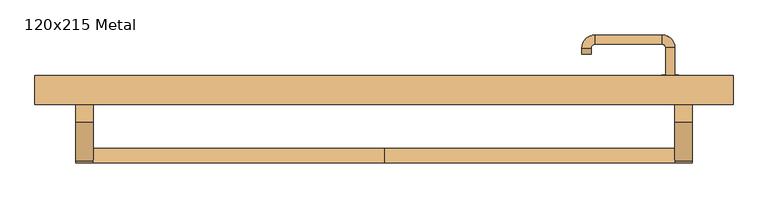
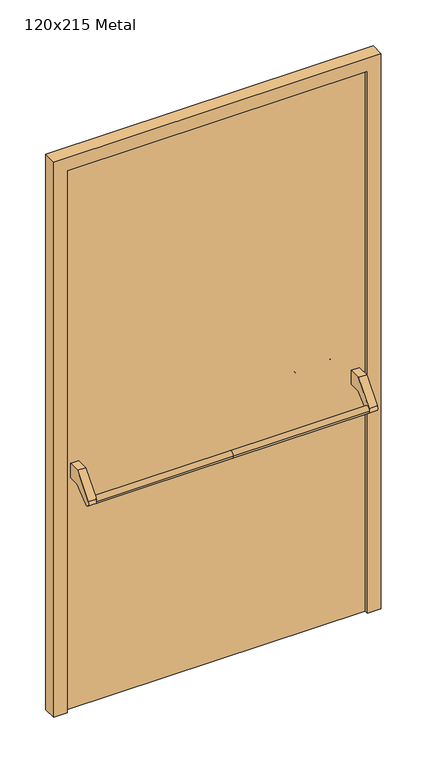
"""IFC4 building model written with IfcOpenShell, lengths in millimetres: door geometry, 120x215 Metal."""

from ifc_helpers import new_model, si_unit, point, frame, frame_2d, origin, origin_with_axes, place, context, project, spatial, polyline, circle_curve, ellipse_curve, trimmed, segment, composite_curve, outline, extrude, source, transform, mapped, element, save
from ifc_brep_helpers import plane_surface, cylinder_surface, revolved_surface, advanced_brep


def door_120x215_metal_cc79ff3b(model_context):
    return source(origin(), model_context, "Body", "SolidModel", [
        advanced_brep(
        [(-500.0, 24.5828565, 861.5304884), (-500.0, -0.4171435, 861.5304884), (0.0, 24.5828565, 861.5304884), (0.0, -0.4171435, 861.5304884), (500.0, 24.5828565, 861.5304884), (500.0, -0.4171435, 861.5304884)],
        [
            (0, 1, circle_curve(frame((-500.0, 12.0828565, 861.5304884), z_axis=(-1.0, 0.0, 0.0), x_axis=(0.0, -1.0, 0.0)), 12.5)),
            (1, 0, circle_curve(frame((-500.0, 12.0828565, 861.5304884), z_axis=(-1.0, 0.0, 0.0), x_axis=(0.0, -1.0, 0.0)), 12.5)),
            (0, 2),
            (2, 3, circle_curve(frame((0.0, 12.0828565, 861.5304884), z_axis=(-1.0, 0.0, 0.0), x_axis=(0.0, -1.0, 0.0)), 12.5)),
            (3, 1),
            (3, 2, circle_curve(frame((0.0, 12.0828565, 861.5304884), z_axis=(-1.0, 0.0, 0.0), x_axis=(0.0, -1.0, 0.0)), 12.5)),
            (4, 5, circle_curve(frame((500.0, 12.0828565, 861.5304884), z_axis=(1.0, 0.0, 0.0), x_axis=(0.0, -1.0, 0.0)), 12.5)),
            (5, 4, circle_curve(frame((500.0, 12.0828565, 861.5304884), z_axis=(1.0, 0.0, 0.0), x_axis=(0.0, -1.0, 0.0)), 12.5)),
            (5, 3),
            (2, 4),
        ],
        [
            plane_surface(frame((-500.0, -0.4171435, 861.5304884), z_axis=(-1.0, 0.0, 0.0), x_axis=(0.0, 0.0, -1.0))),
            cylinder_surface(frame((-500.0, 12.0828565, 861.5304884), z_axis=(1.0, 0.0, 0.0), x_axis=(0.0, -1.0, 0.0)), 12.5),
            plane_surface(frame((500.0, -0.4171435, 861.5304884), z_axis=(1.0, 0.0, 0.0), x_axis=(0.0, 0.0, 1.0))),
            cylinder_surface(frame((0.0, 12.0828565, 861.5304884), z_axis=(1.0, 0.0, 0.0), x_axis=(0.0, -1.0, 0.0)), 12.5),
        ],
        [
            (0, [[1, 2]]),
            (1, [[3, 4, 5, -1]]),
            (1, [[-5, 6, -3, -2]]),
            (2, [[7, 8]]),
            (3, [[9, -4, 10, -8]]),
            (3, [[-10, -6, -9, -7]]),
        ],
    ),
        extrude(outline(composite_curve([segment(polyline([(70.0, 950.0), (115.0, 950.0), (115.0, 895.2768379), (71.4513009, 895.2768379), (21.6584121, 853.4956432)]), True, "CONTINUOUS"), segment(trimmed(circle_curve(frame_2d((12.0828565, 861.5304884)), 12.5), [point((21.6584121, 853.4956432))], [point((2.507301, 869.5653335))], False, "CARTESIAN"), True, "CONTINUOUS"), segment(polyline([(2.507301, 869.5653335), (70.0, 950.0)]), True, "CONTINUOUS")], self_intersect=False)), frame((-530.0, 0.0, 0.0), z_axis=(1.0, 0.0, 0.0), x_axis=(0.0, 1.0, 0.0)), (0.0, 0.0, 1.0), 30.0),
        extrude(outline(composite_curve([segment(polyline([(70.0, 950.0), (115.0, 950.0), (115.0, 895.2768379), (71.4513009, 895.2768379), (21.6584121, 853.4956432)]), True, "CONTINUOUS"), segment(trimmed(circle_curve(frame_2d((12.0828565, 861.5304884)), 12.5), [point((21.6584121, 853.4956432))], [point((2.507301, 869.5653335))], False, "CARTESIAN"), True, "CONTINUOUS"), segment(polyline([(2.507301, 869.5653335), (70.0, 950.0)]), True, "CONTINUOUS")], self_intersect=False)), frame((500.0, 0.0, 0.0), z_axis=(1.0, 0.0, 0.0), x_axis=(0.0, 1.0, 0.0)), (0.0, 0.0, 1.0), 30.0),
        extrude(outline(composite_curve([segment(trimmed(circle_curve(frame_2d((0.0, -15.0)), 15.0), [point((0.0, -30.0))], [point((0.0, 0.0))], False, "CARTESIAN"), True, "CONTINUOUS"), segment(trimmed(circle_curve(frame_2d((0.0, -15.0)), 15.0), [point((0.0, 0.0))], [point((0.0, -30.0))], False, "CARTESIAN"), True, "CONTINUOUS")], self_intersect=False), holes=[composite_curve([segment(trimmed(circle_curve(frame_2d((4.7772515, -14.9398032)), 2.0), [point((4.7772515, -16.9398032))], [point((4.7772515, -12.9398032))], True, "CARTESIAN"), True, "CONTINUOUS"), segment(polyline([(4.7772515, -12.9398032), (-5.2227485, -12.9398032)]), True, "CONTINUOUS"), segment(trimmed(circle_curve(frame_2d((-5.2227485, -14.9398032)), 2.0), [point((-5.2227485, -12.9398032))], [point((-5.2227485, -16.9398032))], True, "CARTESIAN"), True, "CONTINUOUS"), segment(polyline([(-5.2227485, -16.9398032), (4.7772515, -16.9398032)]), True, "CONTINUOUS")], self_intersect=False)]), frame((477.0, 145.0, 897.3605726), z_axis=(1.8870575173328306e-12, 1.0, 0.0), x_axis=(0.0, 0.0, -1.0)), (0.0, 0.0, 1.0), 6.35),
        extrude(outline(composite_curve([segment(trimmed(circle_curve(frame_2d((0.0, -17.526)), 17.526), [point((0.0, -35.052))], [point((0.0, 0.0))], False, "CARTESIAN"), True, "CONTINUOUS"), segment(trimmed(circle_curve(frame_2d((0.0, -17.526)), 17.526), [point((0.0, 0.0))], [point((0.0, -35.052))], False, "CARTESIAN"), True, "CONTINUOUS")], self_intersect=False)), frame((474.474, 145.0, 950.0), z_axis=(1.8870575173328306e-12, 1.0, 0.0), x_axis=(0.0, 0.0, -1.0)), (0.0, 0.0, 1.0), 3.175),
        advanced_brep(
        [(500.0, 145.0, 950.0), (484.0, 145.0, 950.0), (500.0, 198.0, 950.0), (484.0, 198.0, 950.0), (477.8578644, 204.1421356, 950.0), (477.8578644, 220.1421356, 950.0), (362.8578644, 220.1421356, 950.0), (362.8578644, 204.1421356, 950.0), (356.008622, 197.2928932, 950.0), (340.008622, 197.2928932, 950.0), (340.008622, 187.2928932, 950.0), (356.008622, 187.2928932, 950.0)],
        [
            (0, 1, circle_curve(frame((492.0, 145.0, 950.0), z_axis=(-1.888672253512351e-12, -1.0, 0.0), x_axis=(-1.0, 1.888672253512351e-12, 0.0)), 8.0)),
            (1, 0, circle_curve(frame((492.0, 145.0, 950.0), z_axis=(-1.888672253512351e-12, -1.0, 0.0), x_axis=(-1.0, 1.888672253512351e-12, 0.0)), 8.0)),
            (0, 2),
            (2, 3, circle_curve(frame((492.0, 198.0, 950.0), z_axis=(-1.888672253512351e-12, -1.0, 0.0), x_axis=(-1.0, 1.888672253512351e-12, 0.0)), 8.0)),
            (3, 1),
            (3, 2, circle_curve(frame((492.0, 198.0, 950.0), z_axis=(-1.888672253512351e-12, -1.0, 0.0), x_axis=(-1.0, 1.888672253512351e-12, 0.0)), 8.0)),
            (4, 3, circle_curve(frame((477.8578644, 198.0, 950.0), z_axis=(0.0, 0.0, -1.0), x_axis=(1.0, -1.880717803715015e-12, 0.0)), 6.1421356)),
            (2, 5, circle_curve(frame((477.8578644, 198.0, 950.0), z_axis=(0.0, 0.0, 1.0), x_axis=(1.0, -1.880717803715015e-12, 0.0)), 22.1421356)),
            (5, 4, circle_curve(frame((477.8578644, 212.1421356, 950.0), z_axis=(1.0, -1.913702061528922e-12, 0.0), x_axis=(-1.913702061528922e-12, -1.0, 0.0)), 8.0)),
            (4, 5, circle_curve(frame((477.8578644, 212.1421356, 950.0), z_axis=(1.0, -1.913702061528922e-12, 0.0), x_axis=(-1.913702061528922e-12, -1.0, 0.0)), 8.0)),
            (5, 6),
            (6, 7, circle_curve(frame((362.8578644, 212.1421356, 950.0), z_axis=(1.0, -1.913719828541269e-12, 0.0), x_axis=(-1.913719828541269e-12, -1.0, 0.0)), 8.0)),
            (7, 4),
            (7, 6, circle_curve(frame((362.8578644, 212.1421356, 950.0), z_axis=(1.0, -1.913719828541269e-12, 0.0), x_axis=(-1.913719828541269e-12, -1.0, 0.0)), 8.0)),
            (8, 7, circle_curve(frame((362.8578644, 197.2928932, 950.0), z_axis=(0.0, 0.0, -1.0), x_axis=(1.9120873253494017e-12, 1.0, 0.0)), 6.8492424)),
            (6, 9, circle_curve(frame((362.8578644, 197.2928932, 950.0), z_axis=(0.0, 0.0, 1.0), x_axis=(1.9120873253494017e-12, 1.0, 0.0)), 22.8492424)),
            (9, 8, circle_curve(frame((348.008622, 197.2928932, 950.0), z_axis=(1.890670654956676e-12, 1.0, 0.0), x_axis=(1.0, -1.890670654956676e-12, 0.0)), 8.0)),
            (8, 9, circle_curve(frame((348.008622, 197.2928932, 950.0), z_axis=(1.890226565746826e-12, 1.0, 0.0), x_axis=(1.0, -1.890226565746826e-12, 0.0)), 8.0)),
            (10, 11, circle_curve(frame((348.008622, 187.2928932, 950.0), z_axis=(-1.8903642334018795e-12, -1.0, 0.0), x_axis=(1.0, -1.8903642334018795e-12, 0.0)), 8.0)),
            (11, 10, circle_curve(frame((348.008622, 187.2928932, 950.0), z_axis=(-1.8903642334018795e-12, -1.0, 0.0), x_axis=(1.0, -1.8903642334018795e-12, 0.0)), 8.0)),
            (9, 10),
            (11, 8),
        ],
        [
            plane_surface(frame((492.0, 145.0, 170.0), z_axis=(-1.8870575173328306e-12, -1.0, 0.0), x_axis=(0.0, 0.0, 1.0))),
            cylinder_surface(frame((492.0, 145.0, 950.0), z_axis=(-1.888672253512351e-12, -1.0, 0.0), x_axis=(-1.0, 1.888672253512351e-12, 0.0)), 8.0),
            revolved_surface(trimmed(ellipse_curve(frame((492.0, 198.0, 950.0), z_axis=(-1.8823325398945356e-12, -1.0, 0.0), x_axis=(-1.0, 1.8823325398945356e-12, 0.0)), 8.0, 8.0), [point((500.0, 198.0, 950.0))], [point((484.0, 198.0, 950.0))], True, "CARTESIAN"), (477.8578644, 198.0, 170.0), (0.0, 0.0, 1.0)),
            revolved_surface(trimmed(ellipse_curve(frame((492.0, 198.0, 950.0), z_axis=(-1.8823325398945356e-12, -1.0, 0.0), x_axis=(-1.0, 1.8823325398945356e-12, 0.0)), 8.0, 8.0), [point((484.0, 198.0, 950.0))], [point((500.0, 198.0, 950.0))], True, "CARTESIAN"), (477.8578644, 198.0, 170.0), (0.0, 0.0, 1.0)),
            cylinder_surface(frame((477.8578644, 212.1421356, 950.0), z_axis=(1.0, -1.913719828541269e-12, 0.0), x_axis=(-1.913719828541269e-12, -1.0, 0.0)), 8.0),
            revolved_surface(trimmed(ellipse_curve(frame((362.8578644, 212.1421356, 950.0), z_axis=(1.0, -1.913702061528922e-12, 0.0), x_axis=(-1.913702061528922e-12, -1.0, 0.0)), 8.0, 8.0), [point((362.8578644, 220.1421356, 950.0))], [point((362.8578644, 204.1421356, 950.0))], True, "CARTESIAN"), (362.8578644, 197.2928932, 170.0), (0.0, 0.0, 1.0)),
            revolved_surface(trimmed(ellipse_curve(frame((362.8578644, 212.1421356, 950.0), z_axis=(1.0, -1.913702061528922e-12, 0.0), x_axis=(-1.913702061528922e-12, -1.0, 0.0)), 8.0, 8.0), [point((362.8578644, 204.1421356, 950.0))], [point((362.8578644, 220.1421356, 950.0))], True, "CARTESIAN"), (362.8578644, 197.2928932, 170.0), (0.0, 0.0, 1.0)),
            plane_surface(frame((348.008622, 187.2928932, 170.0), z_axis=(-1.8887494972223595e-12, -1.0, 0.0), x_axis=(0.0, 0.0, 1.0))),
            cylinder_surface(frame((348.008622, 197.2928932, 950.0), z_axis=(1.8903642334018795e-12, 1.0, 0.0), x_axis=(1.0, -1.8903642334018795e-12, 0.0)), 8.0),
        ],
        [
            (0, [[1, 2]]),
            (1, [[-1, 3, 4, 5]]),
            (1, [[-2, -5, 6, -3]]),
            (2, [[7, -4, 8, 9]]),
            (3, [[-8, -6, -7, 10]]),
            (4, [[-9, 11, 12, 13]]),
            (4, [[-10, -13, 14, -11]]),
            (5, [[15, -12, 16, 17]]),
            (6, [[-16, -14, -15, 18]]),
            (7, [[19, 20]]),
            (8, [[-17, 21, -20, 22]]),
            (8, [[-18, -22, -19, -21]]),
        ],
    ),
        extrude(outline(polyline([(2100.0, 550.0), (0.0, 550.0), (0.0, 600.0), (2150.0, 600.0), (2150.0, -600.0), (0.0, -600.0), (0.0, -550.0), (2100.0, -550.0), (2100.0, 550.0)])), frame((0.0, 100.0, 0.0), z_axis=(0.0, 1.0, 0.0), x_axis=(0.0, 0.0, 1.0)), (0.0, 0.0, 1.0), 50.0),
        extrude(outline(polyline([(-550.0, 145.0), (550.0, 145.0), (550.0, 115.0), (-550.0, 115.0), (-550.0, 145.0)])), origin_with_axes(), (0.0, 0.0, 1.0), 2100.0),
    ])


if __name__ == "__main__":
    model = new_model("IFC4")
    model_context = context("Model", 3, world=origin())
    ifc_project = project(units=[si_unit("LENGTHUNIT", "METRE", prefix="MILLI")], contexts=[model_context])
    site = spatial("IfcSite", under=ifc_project)
    building = spatial("IfcBuilding", under=site)
    placement = place(None, origin())
    door_120x215_metal_shape = door_120x215_metal_cc79ff3b(model_context)
    element("IfcDoor", 1, ObjectType="120x215 Metal", at=placement, inside=building, context=model_context, shape_type="MappedRepresentation", body=[
        mapped(door_120x215_metal_shape, transform((0.0, 0.0, 0.0), x_axis=(1.0, 0.0, 0.0), y_axis=(0.0, 1.0, 0.0), z_axis=(0.0, 0.0, 1.0))),
    ])
    save(model, "model.ifc")
